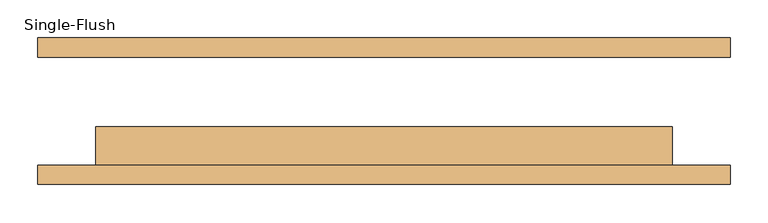
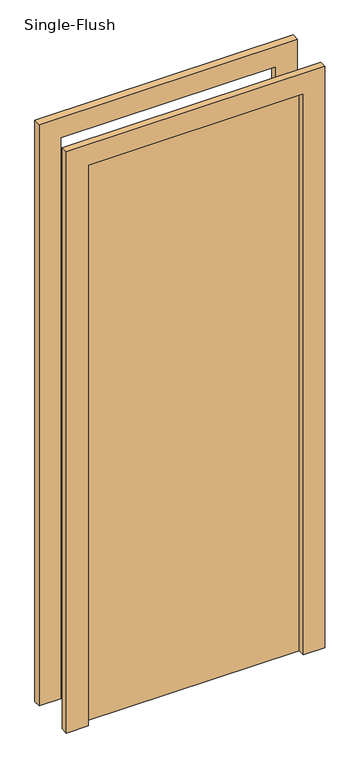
"""IFC4 building model written with IfcOpenShell, lengths in millimetres: door geometry, Single-Flush."""

from ifc_helpers import new_model, si_unit, frame, origin, origin_with_axes, place, context, project, spatial, polyline, outline, extrude, source, transform, mapped, element, save


def single_flush_1e053466(model_context):
    return source(origin(), model_context, "Body", "SweptSolid", [
        extrude(outline(polyline([(2176.2, -457.2), (0.0, -457.2), (0.0, -381.0), (2100.0, -381.0), (2100.0, 381.0), (0.0, 381.0), (0.0, 457.2), (2176.2, 457.2), (2176.2, -457.2)])), frame((0.0, -96.8375, 0.0), z_axis=(0.0, 1.0, 0.0), x_axis=(0.0, 0.0, 1.0)), (0.0, 0.0, 1.0), 25.4),
        extrude(outline(polyline([(2176.2, 457.2), (2176.2, -457.2), (0.0, -457.2), (0.0, -381.0), (2100.0, -381.0), (2100.0, 381.0), (0.0, 381.0), (0.0, 457.2), (2176.2, 457.2)])), frame((0.0, 71.4375, 0.0), z_axis=(0.0, 1.0, 0.0), x_axis=(0.0, 0.0, 1.0)), (0.0, 0.0, 1.0), 25.4),
        extrude(outline(polyline([(381.0, -20.6375), (381.0, -71.4375), (-381.0, -71.4375), (-381.0, -20.6375), (381.0, -20.6375)])), origin_with_axes(), (0.0, 0.0, 1.0), 2100.0),
    ])


if __name__ == "__main__":
    model = new_model("IFC4")
    model_context = context("Model", 3, world=origin())
    ifc_project = project(units=[si_unit("LENGTHUNIT", "METRE", prefix="MILLI")], contexts=[model_context])
    site = spatial("IfcSite", under=ifc_project)
    building = spatial("IfcBuilding", under=site)
    placement = place(None, origin())
    single_flush_shape = single_flush_1e053466(model_context)
    element("IfcDoor", 1, ObjectType="Single-Flush", at=placement, inside=building, context=model_context, shape_type="MappedRepresentation", body=[
        mapped(single_flush_shape, transform((0.0, 0.0, 0.0), x_axis=(1.0, 0.0, 0.0), y_axis=(0.0, 1.0, 0.0), z_axis=(0.0, 0.0, 1.0))),
    ])
    save(model, "model.ifc")
